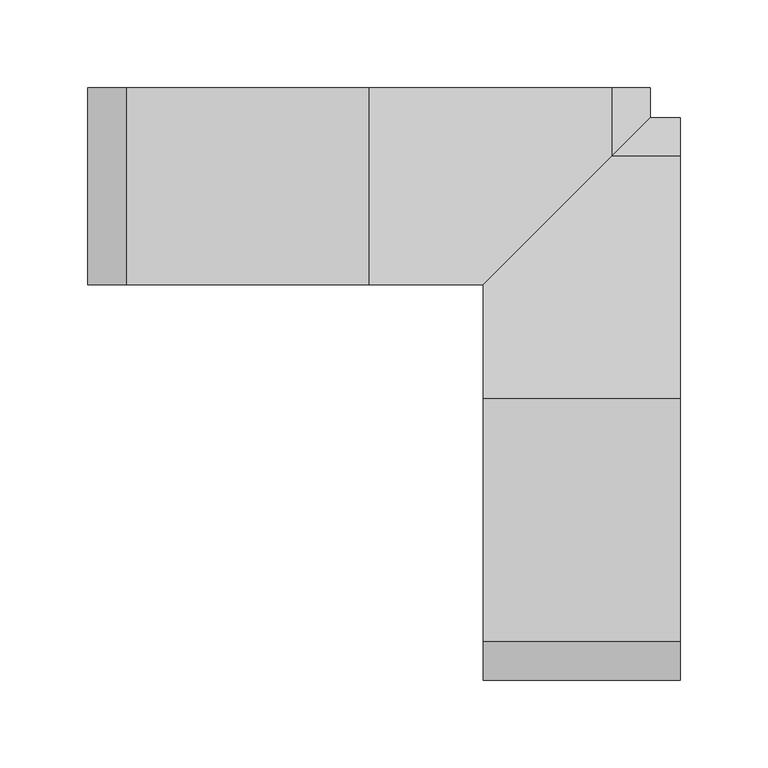
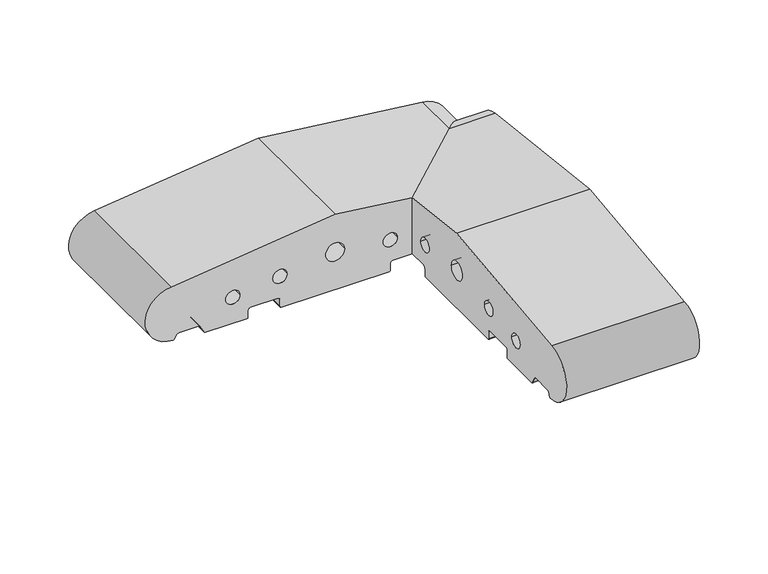
"""IFC4 building model written with IfcOpenShell, lengths in millimetres: proxy geometry."""

from ifc_helpers import new_model, si_unit, frame, origin, place, context, project, spatial, polyline, circle_curve, ellipse_curve, source, transform, mapped, element, save
from ifc_brep_helpers import plane_surface, cylinder_surface, revolved_surface, advanced_brep


def generic_models_d7d995f0(model_context):
    return source(origin(), model_context, "Body", "AdvancedBrep", [
        advanced_brep(
        [(-112.0, -61.5, 9.0), (-112.0, -63.5, 7.0), (-112.0, -63.5, 1.0), (-112.0, -64.5, 0.0), (-112.0, -155.5, 0.0), (-112.0, -156.5, 1.0), (-112.0, -156.5, 7.0), (-112.0, -158.5, 9.0), (-112.0, -181.5, 9.0), (-112.0, -183.5, 7.0), (-112.0, -183.5, 1.0), (-112.0, -184.5, 0.0), (-112.0, -219.4226497, 0.0), (-112.0, -220.2886751, 0.5), (-112.0, -223.7527767, 6.5), (-112.0, -225.4848276, 7.5), (-112.0, -241.9585481, 7.5), (-112.0, -243.6905989, 6.5), (-112.0, -245.7072001, 3.0071443), (-112.0, -246.5981483, 2.5074549), (-112.0, -248.0858073, 50.4091909), (-112.0, -110.0, 66.8161089), (-112.0, -45.0, 59.0930149), (-112.0, -45.0, 9.0), (-112.0, -202.220606, 23.1932995), (-112.0, -190.220606, 23.1932995), (-112.0, -162.5, 27.912776), (-112.0, -150.5, 27.912776), (-112.0, -117.9558517, 33.3783502), (-112.0, -102.0441483, 33.3783502), (-112.0, -69.5, 27.912776), (-112.0, -57.5, 27.912776), (0.0, 26.5981483, 2.5074549), (0.0, 28.0858073, 50.4091909), (0.0, -110.0, 66.8161089), (0.0, -248.0858073, 50.4091909), (0.0, -246.5981483, 2.5074549), (0.0, -245.7072001, 3.0071443), (0.0, -243.6905989, 6.5), (0.0, -241.9585481, 7.5), (0.0, -225.4848276, 7.5), (0.0, -223.7527767, 6.5), (0.0, -220.2886751, 0.5), (0.0, -219.4226497, 0.0), (0.0, -184.5, 0.0), (0.0, -183.5, 1.0), (0.0, -183.5, 7.0), (0.0, -181.5, 9.0), (0.0, -158.5, 9.0), (0.0, -156.5, 7.0), (0.0, -156.5, 1.0), (0.0, -155.5, 0.0), (0.0, -64.5, 0.0), (0.0, -63.5, 1.0), (0.0, -63.5, 7.0), (0.0, -61.5, 9.0), (0.0, -38.5, 9.0), (0.0, -36.5, 7.0), (0.0, -36.5, 1.0), (0.0, -35.5, 0.0), (0.0, -0.5773503, 0.0), (0.0, 0.2886751, 0.5), (0.0, 3.7527767, 6.5), (0.0, 5.4848276, 7.5), (0.0, 21.9585481, 7.5), (0.0, 23.6905989, 6.5), (0.0, 25.7072001, 3.0071443), (0.0, -202.220606, 23.1932995), (0.0, -190.220606, 23.1932995), (0.0, -162.5, 27.912776), (0.0, -150.5, 27.912776), (0.0, -117.9558517, 33.3783502), (0.0, -102.0441483, 33.3783502), (0.0, -69.5, 27.912776), (0.0, -57.5, 27.912776), (0.0, -29.779394, 23.1932995), (0.0, -17.779394, 23.1932995), (-41.2927999, 25.7072001, 3.0071443), (-40.4018517, 26.5981483, 2.5074549), (-43.3094011, 23.6905989, 6.5), (-45.0414519, 21.9585481, 7.5), (-61.5151724, 5.4848276, 7.5), (-63.2472233, 3.7527767, 6.5), (-66.7113249, 0.2886751, 0.5), (-67.5773503, -0.5773503, 0.0), (-102.5, -35.5, 0.0), (-103.5, -36.5, 1.0), (-103.5, -36.5, 7.0), (-105.5, -38.5, 9.0), (-38.9141927, 28.0858073, 50.4091909), (-84.779394, -17.779394, 23.1932995), (-96.779394, -29.779394, 23.1932995)],
        [
            (0, 1, circle_curve(frame((-112.0, -61.5, 7.0), z_axis=(1.0, 0.0, 0.0), x_axis=(0.0, 0.0, 1.0)), 2.0)),
            (1, 2),
            (2, 3, circle_curve(frame((-112.0, -64.5, 1.0), z_axis=(-1.0, 0.0, 0.0), x_axis=(0.0, 1.0, 0.0)), 1.0)),
            (3, 4),
            (4, 5, circle_curve(frame((-112.0, -155.5, 1.0), z_axis=(-1.0, 0.0, 0.0), x_axis=(0.0, -1.0, 0.0)), 1.0)),
            (5, 6),
            (6, 7, circle_curve(frame((-112.0, -158.5, 7.0), z_axis=(1.0, 0.0, 0.0), x_axis=(0.0, 0.0, 1.0)), 2.0)),
            (7, 8),
            (8, 9, circle_curve(frame((-112.0, -181.5, 7.0), z_axis=(1.0, 0.0, 0.0), x_axis=(0.0, -1.0, 0.0)), 2.0)),
            (9, 10),
            (10, 11, circle_curve(frame((-112.0, -184.5, 1.0), z_axis=(-1.0, 0.0, 0.0), x_axis=(0.0, 0.0, -1.0)), 1.0)),
            (11, 12),
            (12, 13, circle_curve(frame((-112.0, -219.4226497, 1.0), z_axis=(-1.0, 0.0, 0.0), x_axis=(0.0, -0.8660254037844339, -0.5000000000000082)), 1.0)),
            (13, 14),
            (14, 15, circle_curve(frame((-112.0, -225.4848276, 5.5), z_axis=(1.0, 0.0, 0.0), x_axis=(0.0, 0.0, 1.0)), 2.0)),
            (15, 16),
            (16, 17, circle_curve(frame((-112.0, -241.9585481, 5.5), z_axis=(1.0, 0.0, 0.0), x_axis=(0.0, -0.8660254037844379, 0.5000000000000012)), 2.0)),
            (17, 18),
            (18, 19, circle_curve(frame((-112.0, -246.5732255, 3.5071443), z_axis=(-1.0, 0.0, 0.0), x_axis=(0.0, -0.024922847684081085, -0.999689377588517)), 1.0)),
            (19, 20, circle_curve(frame((-112.0, -246.0, 26.5), z_axis=(-1.0, 0.0, 0.0), x_axis=(0.0, -0.08690863944627836, 0.9962162859487877)), 24.0)),
            (20, 21),
            (21, 22),
            (22, 23),
            (23, 0),
            (24, 25, circle_curve(frame((-112.0, -196.220606, 23.1932995), z_axis=(1.0, 0.0, 0.0), x_axis=(0.0, 1.0, 0.0)), 6.0)),
            (25, 24, circle_curve(frame((-112.0, -196.220606, 23.1932995), z_axis=(1.0, 0.0, 0.0), x_axis=(0.0, 1.0, 0.0)), 6.0)),
            (26, 27, circle_curve(frame((-112.0, -156.5, 27.912776), z_axis=(1.0, 0.0, 0.0), x_axis=(0.0, 1.0, 0.0)), 6.0)),
            (27, 26, circle_curve(frame((-112.0, -156.5, 27.912776), z_axis=(1.0, 0.0, 0.0), x_axis=(0.0, 1.0, 0.0)), 6.0)),
            (28, 29, circle_curve(frame((-112.0, -110.0, 33.3783502), z_axis=(1.0, 0.0, 0.0), x_axis=(0.0, 1.0, 0.0)), 7.9558517)),
            (29, 28, circle_curve(frame((-112.0, -110.0, 33.3783502), z_axis=(1.0, 0.0, 0.0), x_axis=(0.0, 1.0, 0.0)), 7.9558517)),
            (30, 31, circle_curve(frame((-112.0, -63.5, 27.912776), z_axis=(1.0, 0.0, 0.0), x_axis=(0.0, 1.0, 0.0)), 6.0)),
            (31, 30, circle_curve(frame((-112.0, -63.5, 27.912776), z_axis=(1.0, 0.0, 0.0), x_axis=(0.0, 1.0, 0.0)), 6.0)),
            (32, 33, circle_curve(frame((0.0, 26.0, 26.5), z_axis=(1.0, 0.0, 0.0), x_axis=(0.0, 0.08690863944627836, 0.9962162859487877)), 24.0)),
            (33, 34),
            (34, 35),
            (35, 36, circle_curve(frame((0.0, -246.0, 26.5), z_axis=(1.0, 0.0, 0.0), x_axis=(0.0, -0.08690863944627836, 0.9962162859487877)), 24.0)),
            (36, 37, circle_curve(frame((0.0, -246.5732255, 3.5071443), z_axis=(1.0, 0.0, 0.0), x_axis=(0.0, -0.024922847684081085, -0.999689377588517)), 1.0)),
            (37, 38),
            (38, 39, circle_curve(frame((0.0, -241.9585481, 5.5), z_axis=(-1.0, 0.0, 0.0), x_axis=(0.0, -0.8660254037844379, 0.5000000000000012)), 2.0)),
            (39, 40),
            (40, 41, circle_curve(frame((0.0, -225.4848276, 5.5), z_axis=(-1.0, 0.0, 0.0), x_axis=(0.0, 0.0, 1.0)), 2.0)),
            (41, 42),
            (42, 43, circle_curve(frame((0.0, -219.4226497, 1.0), z_axis=(1.0, 0.0, 0.0), x_axis=(0.0, -0.8660254037844339, -0.5000000000000082)), 1.0)),
            (43, 44),
            (44, 45, circle_curve(frame((0.0, -184.5, 1.0), z_axis=(1.0, 0.0, 0.0), x_axis=(0.0, 0.0, -1.0)), 1.0)),
            (45, 46),
            (46, 47, circle_curve(frame((0.0, -181.5, 7.0), z_axis=(-1.0, 0.0, 0.0), x_axis=(0.0, -1.0, 0.0)), 2.0)),
            (47, 48),
            (48, 49, circle_curve(frame((0.0, -158.5, 7.0), z_axis=(-1.0, 0.0, 0.0), x_axis=(0.0, 0.0, 1.0)), 2.0)),
            (49, 50),
            (50, 51, circle_curve(frame((0.0, -155.5, 1.0), z_axis=(1.0, 0.0, 0.0), x_axis=(0.0, -1.0, 0.0)), 1.0)),
            (51, 52),
            (52, 53, circle_curve(frame((0.0, -64.5, 1.0), z_axis=(1.0, 0.0, 0.0), x_axis=(0.0, 1.0, 0.0)), 1.0)),
            (53, 54),
            (54, 55, circle_curve(frame((0.0, -61.5, 7.0), z_axis=(-1.0, 0.0, 0.0), x_axis=(0.0, 0.0, 1.0)), 2.0)),
            (55, 56),
            (56, 57, circle_curve(frame((0.0, -38.5, 7.0), z_axis=(-1.0, 0.0, 0.0), x_axis=(0.0, 1.0, 0.0)), 2.0)),
            (57, 58),
            (58, 59, circle_curve(frame((0.0, -35.5, 1.0), z_axis=(1.0, 0.0, 0.0), x_axis=(0.0, 0.0, -1.0)), 1.0)),
            (59, 60),
            (60, 61, circle_curve(frame((0.0, -0.5773503, 1.0), z_axis=(1.0, 0.0, 0.0), x_axis=(0.0, 0.8660254037844339, -0.5000000000000082)), 1.0)),
            (61, 62),
            (62, 63, circle_curve(frame((0.0, 5.4848276, 5.5), z_axis=(-1.0, 0.0, 0.0), x_axis=(0.0, 0.0, 1.0)), 2.0)),
            (63, 64),
            (64, 65, circle_curve(frame((0.0, 21.9585481, 5.5), z_axis=(-1.0, 0.0, 0.0), x_axis=(0.0, 0.8660254037844379, 0.5000000000000012)), 2.0)),
            (65, 66),
            (66, 32, circle_curve(frame((0.0, 26.5732255, 3.5071443), z_axis=(1.0, 0.0, 0.0), x_axis=(0.0, 0.024922847684081085, -0.999689377588517)), 1.0)),
            (67, 68, circle_curve(frame((0.0, -196.220606, 23.1932995), z_axis=(-1.0, 0.0, 0.0), x_axis=(0.0, 1.0, 0.0)), 6.0)),
            (68, 67, circle_curve(frame((0.0, -196.220606, 23.1932995), z_axis=(-1.0, 0.0, 0.0), x_axis=(0.0, 1.0, 0.0)), 6.0)),
            (69, 70, circle_curve(frame((0.0, -156.5, 27.912776), z_axis=(-1.0, 0.0, 0.0), x_axis=(0.0, 1.0, 0.0)), 6.0)),
            (70, 69, circle_curve(frame((0.0, -156.5, 27.912776), z_axis=(-1.0, 0.0, 0.0), x_axis=(0.0, 1.0, 0.0)), 6.0)),
            (71, 72, circle_curve(frame((0.0, -110.0, 33.3783502), z_axis=(-1.0, 0.0, 0.0), x_axis=(0.0, 1.0, 0.0)), 7.9558517)),
            (72, 71, circle_curve(frame((0.0, -110.0, 33.3783502), z_axis=(-1.0, 0.0, 0.0), x_axis=(0.0, 1.0, 0.0)), 7.9558517)),
            (73, 74, circle_curve(frame((0.0, -63.5, 27.912776), z_axis=(-1.0, 0.0, 0.0), x_axis=(0.0, 1.0, 0.0)), 6.0)),
            (74, 73, circle_curve(frame((0.0, -63.5, 27.912776), z_axis=(-1.0, 0.0, 0.0), x_axis=(0.0, 1.0, 0.0)), 6.0)),
            (75, 76, circle_curve(frame((0.0, -23.779394, 23.1932995), z_axis=(-1.0, 0.0, 0.0), x_axis=(0.0, 1.0, 0.0)), 6.0)),
            (76, 75, circle_curve(frame((0.0, -23.779394, 23.1932995), z_axis=(-1.0, 0.0, 0.0), x_axis=(0.0, 1.0, 0.0)), 6.0)),
            (66, 77),
            (77, 78, ellipse_curve(frame((-40.4267745, 26.5732255, 3.5071443), z_axis=(0.7071067811865447, -0.7071067811865503, 0.0), x_axis=(-0.7071067811865503, -0.7071067811865447, 0.0)), 1.4142136, 1.0)),
            (78, 32),
            (65, 79),
            (79, 77),
            (64, 80),
            (80, 79, ellipse_curve(frame((-45.0414519, 21.9585481, 5.5), z_axis=(-0.7071067811865447, 0.7071067811865503, 0.0), x_axis=(0.7071067811865503, 0.7071067811865447, 0.0)), 2.8284271, 2.0)),
            (63, 81),
            (81, 80),
            (62, 82),
            (82, 81, ellipse_curve(frame((-61.5151724, 5.4848276, 5.5), z_axis=(-0.7071067811865447, 0.7071067811865503, 0.0), x_axis=(0.7071067811865503, 0.7071067811865447, 0.0)), 2.8284271, 2.0)),
            (61, 83),
            (83, 82),
            (60, 84),
            (84, 83, ellipse_curve(frame((-67.5773503, -0.5773503, 1.0), z_axis=(0.7071067811865447, -0.7071067811865503, 0.0), x_axis=(-0.7071067811865503, -0.7071067811865447, 0.0)), 1.4142136, 1.0)),
            (59, 85),
            (85, 84),
            (58, 86),
            (86, 85, ellipse_curve(frame((-102.5, -35.5, 1.0), z_axis=(0.7071067811865447, -0.7071067811865503, 0.0), x_axis=(-0.7071067811865503, -0.7071067811865447, 0.0)), 1.4142136, 1.0)),
            (57, 87),
            (87, 86),
            (56, 88),
            (88, 87, ellipse_curve(frame((-105.5, -38.5, 7.0), z_axis=(-0.7071067811865447, 0.7071067811865503, 0.0), x_axis=(0.7071067811865503, 0.7071067811865447, 0.0)), 2.8284271, 2.0)),
            (55, 0),
            (23, 88),
            (54, 1),
            (53, 2),
            (52, 3),
            (51, 4),
            (50, 5),
            (49, 6),
            (48, 7),
            (47, 8),
            (46, 9),
            (45, 10),
            (44, 11),
            (43, 12),
            (42, 13),
            (41, 14),
            (40, 15),
            (39, 16),
            (38, 17),
            (37, 18),
            (36, 19),
            (35, 20),
            (34, 21),
            (33, 89),
            (89, 22),
            (78, 89, ellipse_curve(frame((-41.0, 26.0, 26.5), z_axis=(0.7071067811865447, -0.7071067811865503, 0.0), x_axis=(-0.7071067811865503, -0.7071067811865447, 0.0)), 33.9411255, 24.0)),
            (24, 67),
            (68, 25),
            (26, 69),
            (70, 27),
            (28, 71),
            (72, 29),
            (30, 73),
            (74, 31),
            (76, 90),
            (90, 91, ellipse_curve(frame((-90.779394, -23.779394, 23.1932995), z_axis=(-0.7071067811865447, 0.7071067811865503, 0.0), x_axis=(0.7071067811865503, 0.7071067811865447, 0.0)), 8.4852814, 6.0)),
            (91, 75),
            (91, 90, ellipse_curve(frame((-90.779394, -23.779394, 23.1932995), z_axis=(-0.7071067811865447, 0.7071067811865503, 0.0), x_axis=(0.7071067811865503, 0.7071067811865447, 0.0)), 8.4852814, 6.0)),
        ],
        [
            plane_surface(frame((-112.0, 0.0, 0.0), z_axis=(-1.0, 0.0, 0.0), x_axis=(0.0, 0.0, 1.0))),
            plane_surface(frame((0.0, 0.0, 0.0), z_axis=(1.0, 0.0, 0.0), x_axis=(0.0, 0.0, 1.0))),
            cylinder_surface(frame((-112.0, 26.5732255, 3.5071443), z_axis=(-1.0000000000000002, 0.0, 0.0), x_axis=(0.0, 0.024922847684081085, -0.999689377588517)), 1.0),
            plane_surface(frame((-112.0, 25.7072001, 3.0071443), z_axis=(0.0, -0.8660254037844368, -0.5000000000000032), x_axis=(1.0, 0.0, 0.0))),
            revolved_surface(polyline([(0.0, 23.690598907568877, 6.500000000000003), (-47.0414518825018, 23.690598907568877, 6.500000000000003)]), (-112.0, 21.9585481, 5.5), (1.0, 0.0, 0.0)),
            plane_surface(frame((-112.0, 21.9585481, 7.5), z_axis=(0.0, 0.0, -1.0), x_axis=(1.0, 0.0, 0.0))),
            revolved_surface(polyline([(0.0, 5.4848276, 7.5), (-63.51517238250181, 5.4848276, 7.5)]), (-112.0, 5.4848276, 5.5), (1.0, 0.0, 0.0)),
            plane_surface(frame((-112.0, 3.7527767, 6.5), z_axis=(0.0, 0.8660254037844349, -0.5000000000000064), x_axis=(1.0, 0.0, 0.0))),
            cylinder_surface(frame((-112.0, -0.5773503, 1.0), z_axis=(-1.0, 0.0, 0.0), x_axis=(0.0, 0.8660254037844339, -0.5000000000000082)), 1.0),
            plane_surface(frame((-112.0, -0.5773503, 0.0), z_axis=(0.0, 0.0, -1.0), x_axis=(1.0, 0.0, 0.0))),
            cylinder_surface(frame((-112.0, -35.5, 1.0), z_axis=(-1.0, 0.0, 0.0), x_axis=(0.0, 0.0, -1.0)), 1.0),
            plane_surface(frame((-112.0, -36.5, 1.0), z_axis=(0.0, -1.0, 0.0), x_axis=(1.0, 0.0, 0.0))),
            revolved_surface(polyline([(0.0, -36.5, 7.0), (-107.4999999825018, -36.5, 7.0)]), (-112.0, -38.5, 7.0), (1.0, 0.0, 0.0)),
            plane_surface(frame((-112.0, -38.5, 9.0), z_axis=(0.0, 0.0, -1.0), x_axis=(1.0, 0.0, 0.0))),
            revolved_surface(polyline([(0.0, -61.5, 9.0), (-112.0, -61.5, 9.0)]), (-112.0, -61.5, 7.0), (1.0, 0.0, 0.0)),
            plane_surface(frame((-112.0, -63.5, 7.0), z_axis=(0.0, 1.0, 0.0), x_axis=(1.0, 0.0, 0.0))),
            cylinder_surface(frame((-112.0, -64.5, 1.0), z_axis=(-1.0, 0.0, 0.0), x_axis=(0.0, 1.0, 0.0)), 1.0),
            plane_surface(frame((-112.0, -64.5, 0.0), z_axis=(0.0, 0.0, -1.0), x_axis=(1.0, 0.0, 0.0))),
            cylinder_surface(frame((-112.0, -155.5, 1.0), z_axis=(-1.0, 0.0, 0.0), x_axis=(0.0, -1.0, 0.0)), 1.0),
            plane_surface(frame((-112.0, -156.5, 1.0), z_axis=(0.0, -1.0, 0.0), x_axis=(1.0, 0.0, 0.0))),
            revolved_surface(polyline([(0.0, -158.5, 9.0), (-112.0, -158.5, 9.0)]), (-112.0, -158.5, 7.0), (1.0, 0.0, 0.0)),
            plane_surface(frame((-112.0, -158.5, 9.0), z_axis=(0.0, 0.0, -1.0), x_axis=(1.0, 0.0, 0.0))),
            revolved_surface(polyline([(0.0, -183.5, 7.0), (-112.0, -183.5, 7.0)]), (-112.0, -181.5, 7.0), (1.0, 0.0, 0.0)),
            plane_surface(frame((-112.0, -183.5, 7.0), z_axis=(0.0, 1.0, 0.0), x_axis=(1.0, 0.0, 0.0))),
            cylinder_surface(frame((-112.0, -184.5, 1.0), z_axis=(-1.0, 0.0, 0.0), x_axis=(0.0, 0.0, -1.0)), 1.0),
            plane_surface(frame((-112.0, -184.5, 0.0), z_axis=(0.0, 0.0, -1.0), x_axis=(1.0, 0.0, 0.0))),
            cylinder_surface(frame((-112.0, -219.4226497, 1.0), z_axis=(-1.0, 0.0, 0.0), x_axis=(0.0, -0.8660254037844339, -0.5000000000000082)), 1.0),
            plane_surface(frame((-112.0, -220.2886751, 0.5), z_axis=(0.0, -0.8660254037844349, -0.5000000000000064), x_axis=(1.0, 0.0, 0.0))),
            revolved_surface(polyline([(0.0, -225.4848276, 7.5), (-112.0, -225.4848276, 7.5)]), (-112.0, -225.4848276, 5.5), (1.0, 0.0, 0.0)),
            plane_surface(frame((-112.0, -225.4848276, 7.5), z_axis=(0.0, 0.0, -1.0), x_axis=(1.0, 0.0, 0.0))),
            revolved_surface(polyline([(0.0, -243.69059890756887, 6.500000000000003), (-112.0, -243.69059890756887, 6.500000000000003)]), (-112.0, -241.9585481, 5.5), (1.0, 0.0, 0.0)),
            plane_surface(frame((-112.0, -243.6905989, 6.5), z_axis=(0.0, 0.8660254037844368, -0.5000000000000032), x_axis=(1.0, 0.0, 0.0))),
            cylinder_surface(frame((-112.0, -246.5732255, 3.5071443), z_axis=(-1.0000000000000002, 0.0, 0.0), x_axis=(0.0, -0.024922847684081085, -0.999689377588517)), 1.0),
            cylinder_surface(frame((-112.0, -246.0, 26.5), z_axis=(-1.0, 0.0, 0.0), x_axis=(0.0, -0.08690863944627836, 0.9962162859487877)), 24.0),
            plane_surface(frame((-112.0, -248.0858073, 50.4091909), z_axis=(0.0, -0.11798691299107526, 0.9930151501174777), x_axis=(1.0, 0.0, 0.0))),
            plane_surface(frame((-112.0, -110.0, 66.8161089), z_axis=(0.0, 0.11798691299107526, 0.9930151501174777), x_axis=(1.0, 0.0, 0.0))),
            cylinder_surface(frame((-112.0, 26.0, 26.5), z_axis=(-1.0, 0.0, 0.0), x_axis=(0.0, 0.08690863944627836, 0.9962162859487877)), 24.0),
            revolved_surface(polyline([(0.0, -190.220606, 23.1932995), (-112.0, -190.220606, 23.1932995)]), (-112.0, -196.220606, 23.1932995), (1.0, 0.0, 0.0)),
            revolved_surface(polyline([(0.0, -150.5, 27.912776), (-112.0, -150.5, 27.912776)]), (-112.0, -156.5, 27.912776), (1.0, 0.0, 0.0)),
            revolved_surface(polyline([(0.0, -102.0441483, 33.3783502), (-112.0, -102.0441483, 33.3783502)]), (-112.0, -110.0, 33.3783502), (1.0, 0.0, 0.0)),
            revolved_surface(polyline([(0.0, -57.5, 27.912776), (-112.0, -57.5, 27.912776)]), (-112.0, -63.5, 27.912776), (1.0, 0.0, 0.0)),
            revolved_surface(polyline([(0.0, -17.779394, 23.1932995), (-96.7793940182161, -17.779394, 23.1932995)]), (-112.0, -23.779394, 23.1932995), (1.0, 0.0, 0.0)),
            plane_surface(frame((-112.0, -45.0, 250.0), z_axis=(-0.7071067811865447, 0.7071067811865503, 0.0), x_axis=(0.0, 0.0, -1.0))),
        ],
        [
            (0, [[1, 2, 3, 4, 5, 6, 7, 8, 9, 10, 11, 12, 13, 14, 15, 16, 17, 18, 19, 20, 21, 22, 23, 24], [25, 26], [27, 28], [29, 30], [31, 32]]),
            (1, [[33, 34, 35, 36, 37, 38, 39, 40, 41, 42, 43, 44, 45, 46, 47, 48, 49, 50, 51, 52, 53, 54, 55, 56, 57, 58, 59, 60, 61, 62, 63, 64, 65, 66, 67], [68, 69], [70, 71], [72, 73], [74, 75], [76, 77]]),
            (2, [[-67, 78, 79, 80]]),
            (3, [[-66, 81, 82, -78]]),
            (4, [[-65, 83, 84, -81]]),
            (5, [[-64, 85, 86, -83]]),
            (6, [[-63, 87, 88, -85]]),
            (7, [[-62, 89, 90, -87]]),
            (8, [[-61, 91, 92, -89]]),
            (9, [[-60, 93, 94, -91]]),
            (10, [[-59, 95, 96, -93]]),
            (11, [[-58, 97, 98, -95]]),
            (12, [[-57, 99, 100, -97]]),
            (13, [[-56, 101, -24, 102, -99]]),
            (14, [[-1, -101, -55, 103]]),
            (15, [[-2, -103, -54, 104]]),
            (16, [[-3, -104, -53, 105]]),
            (17, [[-4, -105, -52, 106]]),
            (18, [[-5, -106, -51, 107]]),
            (19, [[-6, -107, -50, 108]]),
            (20, [[-7, -108, -49, 109]]),
            (21, [[-8, -109, -48, 110]]),
            (22, [[-9, -110, -47, 111]]),
            (23, [[-10, -111, -46, 112]]),
            (24, [[-11, -112, -45, 113]]),
            (25, [[-12, -113, -44, 114]]),
            (26, [[-13, -114, -43, 115]]),
            (27, [[-14, -115, -42, 116]]),
            (28, [[-15, -116, -41, 117]]),
            (29, [[-16, -117, -40, 118]]),
            (30, [[-17, -118, -39, 119]]),
            (31, [[-18, -119, -38, 120]]),
            (32, [[-19, -120, -37, 121]]),
            (33, [[-20, -121, -36, 122]]),
            (34, [[-21, -122, -35, 123]]),
            (35, [[-34, 124, 125, -22, -123]]),
            (36, [[-33, -80, 126, -124]]),
            (37, [[-25, 127, -69, 128]]),
            (37, [[-26, -128, -68, -127]]),
            (38, [[-27, 129, -71, 130]]),
            (38, [[-28, -130, -70, -129]]),
            (39, [[-29, 131, -73, 132]]),
            (39, [[-30, -132, -72, -131]]),
            (40, [[-31, 133, -75, 134]]),
            (40, [[-32, -134, -74, -133]]),
            (41, [[-77, 135, 136, 137]]),
            (41, [[-76, -137, 138, -135]]),
            (42, [[-23, -125, -126, -79, -82, -84, -86, -88, -90, -92, -94, -96, -98, -100, -102], [-136, -138]]),
        ],
    ),
        advanced_brep(
        [(-40.4018517, 67.0, 2.5074549), (-41.2927999, 67.0, 3.0071443), (-43.3094011, 67.0, 6.5), (-45.0414519, 67.0, 7.5), (-61.5151724, 67.0, 7.5), (-63.2472233, 67.0, 6.5), (-66.7113249, 67.0, 0.5), (-67.5773503, 67.0, 0.0), (-102.5, 67.0, 0.0), (-103.5, 67.0, 1.0), (-103.5, 67.0, 7.0), (-105.5, 67.0, 9.0), (-128.5, 67.0, 9.0), (-130.5, 67.0, 7.0), (-130.5, 67.0, 1.0), (-131.5, 67.0, 0.0), (-222.5, 67.0, 0.0), (-223.5, 67.0, 1.0), (-223.5, 67.0, 7.0), (-225.5, 67.0, 9.0), (-248.5, 67.0, 9.0), (-250.5, 67.0, 7.0), (-250.5, 67.0, 1.0), (-251.5, 67.0, 0.0), (-286.4226497, 67.0, 0.0), (-287.2886751, 67.0, 0.5), (-290.7527767, 67.0, 6.5), (-292.4848276, 67.0, 7.5), (-308.9585481, 67.0, 7.5), (-310.6905989, 67.0, 6.5), (-312.7072001, 67.0, 3.0071443), (-313.5981483, 67.0, 2.5074549), (-315.0858073, 67.0, 50.4091909), (-177.0, 67.0, 66.8161089), (-38.9141927, 67.0, 50.4091909), (-269.220606, 67.0, 23.1932995), (-257.220606, 67.0, 23.1932995), (-229.5, 67.0, 27.912776), (-217.5, 67.0, 27.912776), (-184.9558517, 67.0, 33.3783502), (-169.0441483, 67.0, 33.3783502), (-136.5, 67.0, 27.912776), (-124.5, 67.0, 27.912776), (-96.779394, 67.0, 23.1932995), (-84.779394, 67.0, 23.1932995), (-177.0, -45.0, 66.8161089), (-315.0858073, -45.0, 50.4091909), (-313.5981483, -45.0, 2.5074549), (-312.7072001, -45.0, 3.0071443), (-310.6905989, -45.0, 6.5), (-308.9585481, -45.0, 7.5), (-292.4848276, -45.0, 7.5), (-290.7527767, -45.0, 6.5), (-287.2886751, -45.0, 0.5), (-286.4226497, -45.0, 0.0), (-251.5, -45.0, 0.0), (-250.5, -45.0, 1.0), (-250.5, -45.0, 7.0), (-248.5, -45.0, 9.0), (-225.5, -45.0, 9.0), (-223.5, -45.0, 7.0), (-223.5, -45.0, 1.0), (-222.5, -45.0, 0.0), (-131.5, -45.0, 0.0), (-130.5, -45.0, 1.0), (-130.5, -45.0, 7.0), (-128.5, -45.0, 9.0), (-112.0, -45.0, 9.0), (-112.0, -45.0, 59.0930149), (-269.220606, -45.0, 23.1932995), (-257.220606, -45.0, 23.1932995), (-229.5, -45.0, 27.912776), (-217.5, -45.0, 27.912776), (-184.9558517, -45.0, 33.3783502), (-169.0441483, -45.0, 33.3783502), (-136.5, -45.0, 27.912776), (-124.5, -45.0, 27.912776), (-40.4018517, 26.5981483, 2.5074549), (-41.2927999, 25.7072001, 3.0071443), (-43.3094011, 23.6905989, 6.5), (-45.0414519, 21.9585481, 7.5), (-61.5151724, 5.4848276, 7.5), (-63.2472233, 3.7527767, 6.5), (-66.7113249, 0.2886751, 0.5), (-67.5773503, -0.5773503, 0.0), (-102.5, -35.5, 0.0), (-103.5, -36.5, 1.0), (-103.5, -36.5, 7.0), (-105.5, -38.5, 9.0), (-38.9141927, 28.0858073, 50.4091909), (-96.779394, -29.779394, 23.1932995), (-84.779394, -17.779394, 23.1932995)],
        [
            (0, 1, circle_curve(frame((-40.4267745, 67.0, 3.5071443), z_axis=(0.0, 1.0, 0.0), x_axis=(0.024922847684081085, 0.0, -0.999689377588517)), 1.0)),
            (1, 2),
            (2, 3, circle_curve(frame((-45.0414519, 67.0, 5.5), z_axis=(0.0, -1.0, 0.0), x_axis=(0.8660254037844379, 0.0, 0.5000000000000012)), 2.0)),
            (3, 4),
            (4, 5, circle_curve(frame((-61.5151724, 67.0, 5.5), z_axis=(0.0, -1.0, 0.0), x_axis=(0.0, 0.0, 1.0)), 2.0)),
            (5, 6),
            (6, 7, circle_curve(frame((-67.5773503, 67.0, 1.0), z_axis=(0.0, 1.0, 0.0), x_axis=(0.8660254037844339, 0.0, -0.5000000000000082)), 1.0)),
            (7, 8),
            (8, 9, circle_curve(frame((-102.5, 67.0, 1.0), z_axis=(0.0, 1.0, 0.0), x_axis=(0.0, 0.0, -1.0)), 1.0)),
            (9, 10),
            (10, 11, circle_curve(frame((-105.5, 67.0, 7.0), z_axis=(0.0, -1.0, 0.0), x_axis=(1.0, 0.0, 0.0)), 2.0)),
            (11, 12),
            (12, 13, circle_curve(frame((-128.5, 67.0, 7.0), z_axis=(0.0, -1.0, 0.0), x_axis=(0.0, 0.0, 1.0)), 2.0)),
            (13, 14),
            (14, 15, circle_curve(frame((-131.5, 67.0, 1.0), z_axis=(0.0, 1.0, 0.0), x_axis=(1.0, 0.0, 0.0)), 1.0)),
            (15, 16),
            (16, 17, circle_curve(frame((-222.5, 67.0, 1.0), z_axis=(0.0, 1.0, 0.0), x_axis=(-1.0, 0.0, 0.0)), 1.0)),
            (17, 18),
            (18, 19, circle_curve(frame((-225.5, 67.0, 7.0), z_axis=(0.0, -1.0, 0.0), x_axis=(0.0, 0.0, 1.0)), 2.0)),
            (19, 20),
            (20, 21, circle_curve(frame((-248.5, 67.0, 7.0), z_axis=(0.0, -1.0, 0.0), x_axis=(-1.0, 0.0, 0.0)), 2.0)),
            (21, 22),
            (22, 23, circle_curve(frame((-251.5, 67.0, 1.0), z_axis=(0.0, 1.0, 0.0), x_axis=(0.0, 0.0, -1.0)), 1.0)),
            (23, 24),
            (24, 25, circle_curve(frame((-286.4226497, 67.0, 1.0), z_axis=(0.0, 1.0, 0.0), x_axis=(-0.8660254037844339, 0.0, -0.5000000000000082)), 1.0)),
            (25, 26),
            (26, 27, circle_curve(frame((-292.4848276, 67.0, 5.5), z_axis=(0.0, -1.0, 0.0), x_axis=(0.0, 0.0, 1.0)), 2.0)),
            (27, 28),
            (28, 29, circle_curve(frame((-308.9585481, 67.0, 5.5), z_axis=(0.0, -1.0, 0.0), x_axis=(-0.8660254037844379, 0.0, 0.5000000000000012)), 2.0)),
            (29, 30),
            (30, 31, circle_curve(frame((-313.5732255, 67.0, 3.5071443), z_axis=(0.0, 1.0, 0.0), x_axis=(-0.024922847684081085, 0.0, -0.999689377588517)), 1.0)),
            (31, 32, circle_curve(frame((-313.0, 67.0, 26.5), z_axis=(0.0, 1.0, 0.0), x_axis=(-0.08690863944627836, 0.0, 0.9962162859487877)), 24.0)),
            (32, 33),
            (33, 34),
            (34, 0, circle_curve(frame((-41.0, 67.0, 26.5), z_axis=(0.0, 1.0, 0.0), x_axis=(0.08690863944627836, 0.0, 0.9962162859487877)), 24.0)),
            (35, 36, circle_curve(frame((-263.220606, 67.0, 23.1932995), z_axis=(0.0, -1.0, 0.0), x_axis=(1.0, 0.0, 0.0)), 6.0)),
            (36, 35, circle_curve(frame((-263.220606, 67.0, 23.1932995), z_axis=(0.0, -1.0, 0.0), x_axis=(1.0, 0.0, 0.0)), 6.0)),
            (37, 38, circle_curve(frame((-223.5, 67.0, 27.912776), z_axis=(0.0, -1.0, 0.0), x_axis=(1.0, 0.0, 0.0)), 6.0)),
            (38, 37, circle_curve(frame((-223.5, 67.0, 27.912776), z_axis=(0.0, -1.0, 0.0), x_axis=(1.0, 0.0, 0.0)), 6.0)),
            (39, 40, circle_curve(frame((-177.0, 67.0, 33.3783502), z_axis=(0.0, -1.0, 0.0), x_axis=(1.0, 0.0, 0.0)), 7.9558517)),
            (40, 39, circle_curve(frame((-177.0, 67.0, 33.3783502), z_axis=(0.0, -1.0, 0.0), x_axis=(1.0, 0.0, 0.0)), 7.9558517)),
            (41, 42, circle_curve(frame((-130.5, 67.0, 27.912776), z_axis=(0.0, -1.0, 0.0), x_axis=(1.0, 0.0, 0.0)), 6.0)),
            (42, 41, circle_curve(frame((-130.5, 67.0, 27.912776), z_axis=(0.0, -1.0, 0.0), x_axis=(1.0, 0.0, 0.0)), 6.0)),
            (43, 44, circle_curve(frame((-90.779394, 67.0, 23.1932995), z_axis=(0.0, -1.0, 0.0), x_axis=(1.0, 0.0, 0.0)), 6.0)),
            (44, 43, circle_curve(frame((-90.779394, 67.0, 23.1932995), z_axis=(0.0, -1.0, 0.0), x_axis=(1.0, 0.0, 0.0)), 6.0)),
            (45, 46),
            (46, 47, circle_curve(frame((-313.0, -45.0, 26.5), z_axis=(0.0, -1.0, 0.0), x_axis=(-0.08690863944627836, 0.0, 0.9962162859487877)), 24.0)),
            (47, 48, circle_curve(frame((-313.5732255, -45.0, 3.5071443), z_axis=(0.0, -1.0, 0.0), x_axis=(-0.024922847684081085, 0.0, -0.999689377588517)), 1.0)),
            (48, 49),
            (49, 50, circle_curve(frame((-308.9585481, -45.0, 5.5), z_axis=(0.0, 1.0, 0.0), x_axis=(-0.8660254037844379, 0.0, 0.5000000000000012)), 2.0)),
            (50, 51),
            (51, 52, circle_curve(frame((-292.4848276, -45.0, 5.5), z_axis=(0.0, 1.0, 0.0), x_axis=(0.0, 0.0, 1.0)), 2.0)),
            (52, 53),
            (53, 54, circle_curve(frame((-286.4226497, -45.0, 1.0), z_axis=(0.0, -1.0, 0.0), x_axis=(-0.8660254037844339, 0.0, -0.5000000000000082)), 1.0)),
            (54, 55),
            (55, 56, circle_curve(frame((-251.5, -45.0, 1.0), z_axis=(0.0, -1.0, 0.0), x_axis=(0.0, 0.0, -1.0)), 1.0)),
            (56, 57),
            (57, 58, circle_curve(frame((-248.5, -45.0, 7.0), z_axis=(0.0, 1.0, 0.0), x_axis=(-1.0, 0.0, 0.0)), 2.0)),
            (58, 59),
            (59, 60, circle_curve(frame((-225.5, -45.0, 7.0), z_axis=(0.0, 1.0, 0.0), x_axis=(0.0, 0.0, 1.0)), 2.0)),
            (60, 61),
            (61, 62, circle_curve(frame((-222.5, -45.0, 1.0), z_axis=(0.0, -1.0, 0.0), x_axis=(-1.0, 0.0, 0.0)), 1.0)),
            (62, 63),
            (63, 64, circle_curve(frame((-131.5, -45.0, 1.0), z_axis=(0.0, -1.0, 0.0), x_axis=(1.0, 0.0, 0.0)), 1.0)),
            (64, 65),
            (65, 66, circle_curve(frame((-128.5, -45.0, 7.0), z_axis=(0.0, 1.0, 0.0), x_axis=(0.0, 0.0, 1.0)), 2.0)),
            (66, 67),
            (67, 68),
            (68, 45),
            (69, 70, circle_curve(frame((-263.220606, -45.0, 23.1932995), z_axis=(0.0, 1.0, 0.0), x_axis=(1.0, 0.0, 0.0)), 6.0)),
            (70, 69, circle_curve(frame((-263.220606, -45.0, 23.1932995), z_axis=(0.0, 1.0, 0.0), x_axis=(1.0, 0.0, 0.0)), 6.0)),
            (71, 72, circle_curve(frame((-223.5, -45.0, 27.912776), z_axis=(0.0, 1.0, 0.0), x_axis=(1.0, 0.0, 0.0)), 6.0)),
            (72, 71, circle_curve(frame((-223.5, -45.0, 27.912776), z_axis=(0.0, 1.0, 0.0), x_axis=(1.0, 0.0, 0.0)), 6.0)),
            (73, 74, circle_curve(frame((-177.0, -45.0, 33.3783502), z_axis=(0.0, 1.0, 0.0), x_axis=(1.0, 0.0, 0.0)), 7.9558517)),
            (74, 73, circle_curve(frame((-177.0, -45.0, 33.3783502), z_axis=(0.0, 1.0, 0.0), x_axis=(1.0, 0.0, 0.0)), 7.9558517)),
            (75, 76, circle_curve(frame((-130.5, -45.0, 27.912776), z_axis=(0.0, 1.0, 0.0), x_axis=(1.0, 0.0, 0.0)), 6.0)),
            (76, 75, circle_curve(frame((-130.5, -45.0, 27.912776), z_axis=(0.0, 1.0, 0.0), x_axis=(1.0, 0.0, 0.0)), 6.0)),
            (0, 77),
            (77, 78, ellipse_curve(frame((-40.4267745, 26.5732255, 3.5071443), z_axis=(-0.7071067811865448, 0.7071067811865502, 0.0), x_axis=(0.7071067811865502, 0.7071067811865448, 0.0)), 1.4142136, 1.0)),
            (78, 1),
            (78, 79),
            (79, 2),
            (79, 80, ellipse_curve(frame((-45.0414519, 21.9585481, 5.5), z_axis=(0.7071067811865448, -0.7071067811865502, 0.0), x_axis=(-0.7071067811865502, -0.7071067811865448, 0.0)), 2.8284271, 2.0)),
            (80, 3),
            (80, 81),
            (81, 4),
            (81, 82, ellipse_curve(frame((-61.5151724, 5.4848276, 5.5), z_axis=(0.7071067811865448, -0.7071067811865502, 0.0), x_axis=(-0.7071067811865502, -0.7071067811865448, 0.0)), 2.8284271, 2.0)),
            (82, 5),
            (82, 83),
            (83, 6),
            (83, 84, ellipse_curve(frame((-67.5773503, -0.5773503, 1.0), z_axis=(-0.7071067811865448, 0.7071067811865502, 0.0), x_axis=(0.7071067811865502, 0.7071067811865448, 0.0)), 1.4142136, 1.0)),
            (84, 7),
            (84, 85),
            (85, 8),
            (85, 86, ellipse_curve(frame((-102.5, -35.5, 1.0), z_axis=(-0.7071067811865448, 0.7071067811865502, 0.0), x_axis=(0.7071067811865502, 0.7071067811865448, 0.0)), 1.4142136, 1.0)),
            (86, 9),
            (86, 87),
            (87, 10),
            (87, 88, ellipse_curve(frame((-105.5, -38.5, 7.0), z_axis=(0.7071067811865448, -0.7071067811865502, 0.0), x_axis=(-0.7071067811865502, -0.7071067811865448, 0.0)), 2.8284271, 2.0)),
            (88, 11),
            (88, 67),
            (66, 12),
            (65, 13),
            (64, 14),
            (63, 15),
            (62, 16),
            (61, 17),
            (60, 18),
            (59, 19),
            (58, 20),
            (57, 21),
            (56, 22),
            (55, 23),
            (54, 24),
            (53, 25),
            (52, 26),
            (51, 27),
            (50, 28),
            (49, 29),
            (48, 30),
            (47, 31),
            (46, 32),
            (45, 33),
            (68, 89),
            (89, 34),
            (89, 77, ellipse_curve(frame((-41.0, 26.0, 26.5), z_axis=(-0.7071067811865448, 0.7071067811865502, 0.0), x_axis=(0.7071067811865502, 0.7071067811865448, 0.0)), 33.9411255, 24.0)),
            (35, 69),
            (70, 36),
            (37, 71),
            (72, 38),
            (39, 73),
            (74, 40),
            (41, 75),
            (76, 42),
            (43, 90),
            (90, 91, ellipse_curve(frame((-90.779394, -23.779394, 23.1932995), z_axis=(0.7071067811865448, -0.7071067811865502, 0.0), x_axis=(-0.7071067811865502, -0.7071067811865448, 0.0)), 8.4852814, 6.0)),
            (91, 44),
            (91, 90, ellipse_curve(frame((-90.779394, -23.779394, 23.1932995), z_axis=(0.7071067811865448, -0.7071067811865502, 0.0), x_axis=(-0.7071067811865502, -0.7071067811865448, 0.0)), 8.4852814, 6.0)),
        ],
        [
            plane_surface(frame((-67.0, 67.0, 0.0), z_axis=(0.0, 1.0, 0.0), x_axis=(0.0, 0.0, 1.0))),
            plane_surface(frame((-67.0, -45.0, 0.0), z_axis=(0.0, -1.0, 0.0), x_axis=(0.0, 0.0, 1.0))),
            cylinder_surface(frame((-40.4267745, 67.0, 3.5071443), z_axis=(0.0, 1.0000000000000002, 0.0), x_axis=(0.024922847684081085, 0.0, -0.999689377588517)), 1.0),
            plane_surface(frame((-41.2927999, 67.0, 3.0071443), z_axis=(-0.8660254037844368, 0.0, -0.5000000000000032), x_axis=(0.0, -1.0, 0.0))),
            revolved_surface(polyline([(-43.30940109243112, 19.95854811749821, 6.500000000000003), (-43.30940109243112, 67.0, 6.500000000000003)]), (-45.0414519, 67.0, 5.5), (0.0, -1.0, 0.0)),
            plane_surface(frame((-45.0414519, 67.0, 7.5), z_axis=(0.0, 0.0, -1.0), x_axis=(0.0, -1.0, 0.0))),
            revolved_surface(polyline([(-61.5151724, 3.484827617498212, 7.5), (-61.5151724, 67.0, 7.5)]), (-61.5151724, 67.0, 5.5), (0.0, -1.0, 0.0)),
            plane_surface(frame((-63.2472233, 67.0, 6.5), z_axis=(0.8660254037844349, 0.0, -0.5000000000000064), x_axis=(0.0, -1.0, 0.0))),
            cylinder_surface(frame((-67.5773503, 67.0, 1.0), z_axis=(0.0, 1.0, 0.0), x_axis=(0.8660254037844339, 0.0, -0.5000000000000082)), 1.0),
            plane_surface(frame((-67.5773503, 67.0, 0.0), z_axis=(0.0, 0.0, -1.0), x_axis=(0.0, -1.0, 0.0))),
            cylinder_surface(frame((-102.5, 67.0, 1.0), z_axis=(0.0, 1.0, 0.0), x_axis=(0.0, 0.0, -1.0)), 1.0),
            plane_surface(frame((-103.5, 67.0, 1.0), z_axis=(-1.0, 0.0, 0.0), x_axis=(0.0, -1.0, 0.0))),
            revolved_surface(polyline([(-103.5, -40.49999998250179, 7.0), (-103.5, 67.0, 7.0)]), (-105.5, 67.0, 7.0), (0.0, -1.0, 0.0)),
            plane_surface(frame((-105.5, 67.0, 9.0), z_axis=(0.0, 0.0, -1.0), x_axis=(0.0, -1.0, 0.0))),
            revolved_surface(polyline([(-128.5, -45.0, 9.0), (-128.5, 67.0, 9.0)]), (-128.5, 67.0, 7.0), (0.0, -1.0, 0.0)),
            plane_surface(frame((-130.5, 67.0, 7.0), z_axis=(1.0, 0.0, 0.0), x_axis=(0.0, -1.0, 0.0))),
            cylinder_surface(frame((-131.5, 67.0, 1.0), z_axis=(0.0, 1.0, 0.0), x_axis=(1.0, 0.0, 0.0)), 1.0),
            plane_surface(frame((-131.5, 67.0, 0.0), z_axis=(0.0, 0.0, -1.0), x_axis=(0.0, -1.0, 0.0))),
            cylinder_surface(frame((-222.5, 67.0, 1.0), z_axis=(0.0, 1.0, 0.0), x_axis=(-1.0, 0.0, 0.0)), 1.0),
            plane_surface(frame((-223.5, 67.0, 1.0), z_axis=(-1.0, 0.0, 0.0), x_axis=(0.0, -1.0, 0.0))),
            revolved_surface(polyline([(-225.5, -45.0, 9.0), (-225.5, 67.0, 9.0)]), (-225.5, 67.0, 7.0), (0.0, -1.0, 0.0)),
            plane_surface(frame((-225.5, 67.0, 9.0), z_axis=(0.0, 0.0, -1.0), x_axis=(0.0, -1.0, 0.0))),
            revolved_surface(polyline([(-250.5, -45.0, 7.0), (-250.5, 67.0, 7.0)]), (-248.5, 67.0, 7.0), (0.0, -1.0, 0.0)),
            plane_surface(frame((-250.5, 67.0, 7.0), z_axis=(1.0, 0.0, 0.0), x_axis=(0.0, -1.0, 0.0))),
            cylinder_surface(frame((-251.5, 67.0, 1.0), z_axis=(0.0, 1.0, 0.0), x_axis=(0.0, 0.0, -1.0)), 1.0),
            plane_surface(frame((-251.5, 67.0, 0.0), z_axis=(0.0, 0.0, -1.0), x_axis=(0.0, -1.0, 0.0))),
            cylinder_surface(frame((-286.4226497, 67.0, 1.0), z_axis=(0.0, 1.0, 0.0), x_axis=(-0.8660254037844339, 0.0, -0.5000000000000082)), 1.0),
            plane_surface(frame((-287.2886751, 67.0, 0.5), z_axis=(-0.8660254037844349, 0.0, -0.5000000000000064), x_axis=(0.0, -1.0, 0.0))),
            revolved_surface(polyline([(-292.4848276, -45.0, 7.5), (-292.4848276, 67.0, 7.5)]), (-292.4848276, 67.0, 5.5), (0.0, -1.0, 0.0)),
            plane_surface(frame((-292.4848276, 67.0, 7.5), z_axis=(0.0, 0.0, -1.0), x_axis=(0.0, -1.0, 0.0))),
            revolved_surface(polyline([(-310.69059890756887, -45.0, 6.500000000000003), (-310.69059890756887, 67.0, 6.500000000000003)]), (-308.9585481, 67.0, 5.5), (0.0, -1.0, 0.0)),
            plane_surface(frame((-310.6905989, 67.0, 6.5), z_axis=(0.8660254037844368, 0.0, -0.5000000000000032), x_axis=(0.0, -1.0, 0.0))),
            cylinder_surface(frame((-313.5732255, 67.0, 3.5071443), z_axis=(0.0, 1.0000000000000002, 0.0), x_axis=(-0.024922847684081085, 0.0, -0.999689377588517)), 1.0),
            cylinder_surface(frame((-313.0, 67.0, 26.5), z_axis=(0.0, 1.0, 0.0), x_axis=(-0.08690863944627836, 0.0, 0.9962162859487877)), 24.0),
            plane_surface(frame((-315.0858073, 67.0, 50.4091909), z_axis=(-0.11798691299107526, 0.0, 0.9930151501174777), x_axis=(0.0, -1.0, 0.0))),
            plane_surface(frame((-177.0, 67.0, 66.8161089), z_axis=(0.11798691299107526, 0.0, 0.9930151501174777), x_axis=(0.0, -1.0, 0.0))),
            cylinder_surface(frame((-41.0, 67.0, 26.5), z_axis=(0.0, 1.0, 0.0), x_axis=(0.08690863944627836, 0.0, 0.9962162859487877)), 24.0),
            revolved_surface(polyline([(-257.220606, -45.0, 23.1932995), (-257.220606, 67.0, 23.1932995)]), (-263.220606, 67.0, 23.1932995), (0.0, -1.0, 0.0)),
            revolved_surface(polyline([(-217.5, -45.0, 27.912776), (-217.5, 67.0, 27.912776)]), (-223.5, 67.0, 27.912776), (0.0, -1.0, 0.0)),
            revolved_surface(polyline([(-169.0441483, -45.0, 33.3783502), (-169.0441483, 67.0, 33.3783502)]), (-177.0, 67.0, 33.3783502), (0.0, -1.0, 0.0)),
            revolved_surface(polyline([(-124.5, -45.0, 27.912776), (-124.5, 67.0, 27.912776)]), (-130.5, 67.0, 27.912776), (0.0, -1.0, 0.0)),
            revolved_surface(polyline([(-84.779394, -29.779394018216053, 23.1932995), (-84.779394, 67.0, 23.1932995)]), (-90.779394, 67.0, 23.1932995), (0.0, -1.0, 0.0)),
            plane_surface(frame((9.5451618, 76.5451618, 250.0), z_axis=(0.7071067811865448, -0.7071067811865502, 0.0), x_axis=(0.0, 0.0, -1.0))),
        ],
        [
            (0, [[1, 2, 3, 4, 5, 6, 7, 8, 9, 10, 11, 12, 13, 14, 15, 16, 17, 18, 19, 20, 21, 22, 23, 24, 25, 26, 27, 28, 29, 30, 31, 32, 33, 34, 35], [36, 37], [38, 39], [40, 41], [42, 43], [44, 45]]),
            (1, [[46, 47, 48, 49, 50, 51, 52, 53, 54, 55, 56, 57, 58, 59, 60, 61, 62, 63, 64, 65, 66, 67, 68, 69], [70, 71], [72, 73], [74, 75], [76, 77]]),
            (2, [[-1, 78, 79, 80]]),
            (3, [[-2, -80, 81, 82]]),
            (4, [[-3, -82, 83, 84]]),
            (5, [[-4, -84, 85, 86]]),
            (6, [[-5, -86, 87, 88]]),
            (7, [[-6, -88, 89, 90]]),
            (8, [[-7, -90, 91, 92]]),
            (9, [[-8, -92, 93, 94]]),
            (10, [[-9, -94, 95, 96]]),
            (11, [[-10, -96, 97, 98]]),
            (12, [[-11, -98, 99, 100]]),
            (13, [[-12, -100, 101, -67, 102]]),
            (14, [[-13, -102, -66, 103]]),
            (15, [[-14, -103, -65, 104]]),
            (16, [[-15, -104, -64, 105]]),
            (17, [[-16, -105, -63, 106]]),
            (18, [[-17, -106, -62, 107]]),
            (19, [[-18, -107, -61, 108]]),
            (20, [[-19, -108, -60, 109]]),
            (21, [[-20, -109, -59, 110]]),
            (22, [[-21, -110, -58, 111]]),
            (23, [[-22, -111, -57, 112]]),
            (24, [[-23, -112, -56, 113]]),
            (25, [[-24, -113, -55, 114]]),
            (26, [[-25, -114, -54, 115]]),
            (27, [[-26, -115, -53, 116]]),
            (28, [[-27, -116, -52, 117]]),
            (29, [[-28, -117, -51, 118]]),
            (30, [[-29, -118, -50, 119]]),
            (31, [[-30, -119, -49, 120]]),
            (32, [[-31, -120, -48, 121]]),
            (33, [[-32, -121, -47, 122]]),
            (34, [[-33, -122, -46, 123]]),
            (35, [[-34, -123, -69, 124, 125]]),
            (36, [[-35, -125, 126, -78]]),
            (37, [[-36, 127, -71, 128]]),
            (37, [[-37, -128, -70, -127]]),
            (38, [[-38, 129, -73, 130]]),
            (38, [[-39, -130, -72, -129]]),
            (39, [[-40, 131, -75, 132]]),
            (39, [[-41, -132, -74, -131]]),
            (40, [[-42, 133, -77, 134]]),
            (40, [[-43, -134, -76, -133]]),
            (41, [[-44, 135, 136, 137]]),
            (41, [[-45, -137, 138, -135]]),
            (42, [[-68, -101, -99, -97, -95, -93, -91, -89, -87, -85, -83, -81, -79, -126, -124], [-136, -138]]),
        ],
    ),
    ])


if __name__ == "__main__":
    model = new_model("IFC4")
    model_context = context("Model", 3, world=origin())
    ifc_project = project(units=[si_unit("LENGTHUNIT", "METRE", prefix="MILLI")], contexts=[model_context])
    site = spatial("IfcSite", under=ifc_project)
    building = spatial("IfcBuilding", under=site)
    placement = place(None, origin())
    generic_models_shape = generic_models_d7d995f0(model_context)
    element("IfcBuildingElementProxy", 1, Name="Generic Models", at=placement, inside=building, context=model_context, shape_type="MappedRepresentation", body=[
        mapped(generic_models_shape, transform((0.0, 0.0, 0.0), x_axis=(1.0, 0.0, 0.0), y_axis=(0.0, 1.0, 0.0), z_axis=(0.0, 0.0, 1.0))),
    ])
    save(model, "model.ifc")
